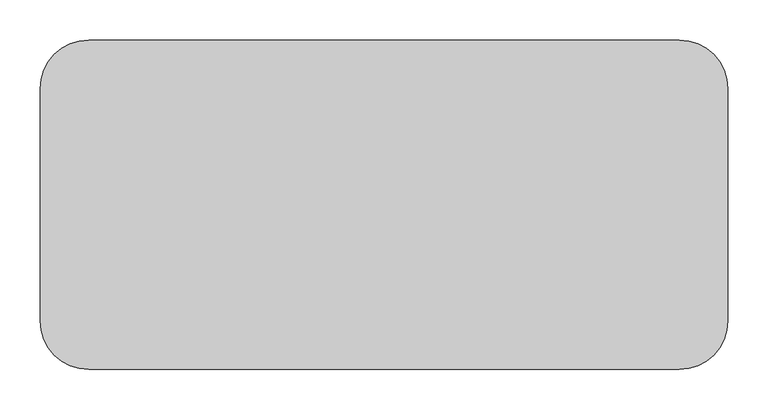
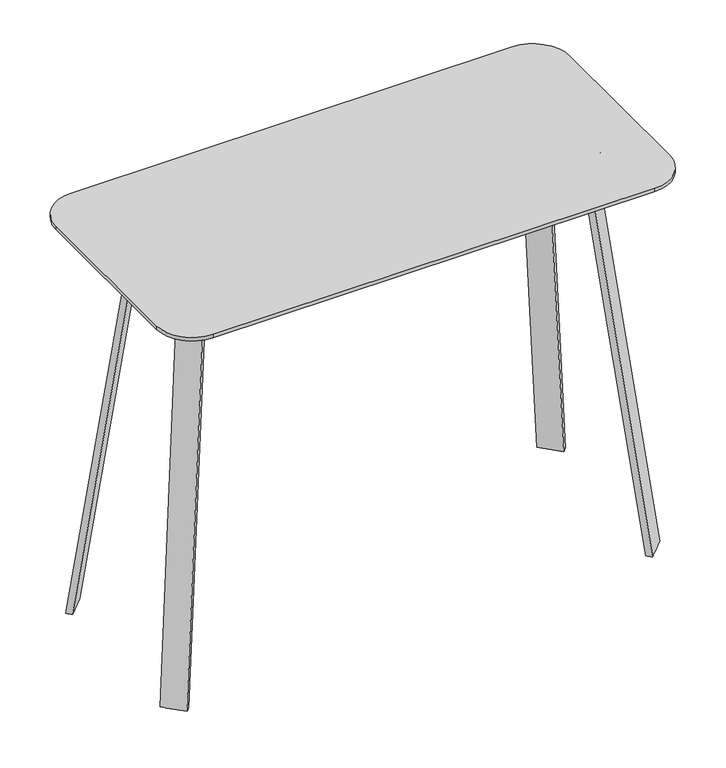
"""IFC4 building model written with IfcOpenShell, lengths in millimetres: furniture geometry."""

from ifc_helpers import new_model, si_unit, point, frame, frame_2d, origin, place, context, project, spatial, polyline, circle_curve, trimmed, segment, composite_curve, outline, extrude, source, transform, mapped, element, save
from ifc_brep_helpers import plane_surface, cylinder_surface, revolved_surface, spline_surface, advanced_brep


def furniture_b67f4b34(model_context):
    return source(origin(), model_context, "Body", "SolidModel", [
        extrude(outline(composite_curve([segment(trimmed(circle_curve(frame_2d((1202.7154289, 209.153125)), 60.325), [point((1202.7154289, 269.478125))], [point((1263.0404289, 209.153125))], False, "CARTESIAN"), True, "CONTINUOUS"), segment(polyline([(1263.0404289, 209.153125), (1263.0404289, -80.16875)]), True, "CONTINUOUS"), segment(trimmed(circle_curve(frame_2d((1202.7154289, -80.16875)), 60.325), [point((1263.0404289, -80.16875))], [point((1202.7154289, -140.49375))], False, "CARTESIAN"), True, "CONTINUOUS"), segment(polyline([(1202.7154289, -140.49375), (468.3974601, -140.49375)]), True, "CONTINUOUS"), segment(trimmed(circle_curve(frame_2d((468.3974601, -80.16875)), 60.325), [point((468.3974601, -140.49375))], [point((408.0724601, -80.16875))], False, "CARTESIAN"), True, "CONTINUOUS"), segment(polyline([(408.0724601, -80.16875), (408.0724601, 209.153125)]), True, "CONTINUOUS"), segment(trimmed(circle_curve(frame_2d((468.3974601, 209.153125)), 60.325), [point((408.0724601, 209.153125))], [point((468.3974601, 269.478125))], False, "CARTESIAN"), True, "CONTINUOUS"), segment(polyline([(468.3974601, 269.478125), (1202.7154289, 269.478125)]), True, "CONTINUOUS")], self_intersect=False)), frame((0.0, 0.0, 673.9548655), z_axis=(0.0, 0.0, 1.0), x_axis=(1.0, 0.0, 0.0)), (0.0, 0.0, 1.0), 5.9912283),
        advanced_brep(
        [(526.2484252, -46.0153352, 673.9548655), (1146.8752089, -46.0153352, 673.9548655), (1197.6752089, 4.7846648, 673.9548655), (1197.6752089, 124.2199619, 673.9548655), (1146.8752089, 175.0199619, 673.9548655), (524.2376802, 175.0199619, 673.9548655), (473.4376802, 124.2199619, 673.9548655), (473.4086388, 6.8244513, 673.9548655), (524.3357605, -37.9741109, 673.9548655), (481.4498449, 4.9118047, 673.9548655), (481.4498449, 124.7624191, 673.9548655), (523.831983, 166.9787557, 673.9548655), (1147.2809061, 166.9787557, 673.9548655), (1189.6339846, 124.6256772, 673.9548655), (1189.6339846, 4.4669059, 673.9548655), (1147.1929678, -37.9741109, 673.9548655), (526.2484252, -46.0153352, 643.800347), (473.4086388, 6.8244513, 643.800347), (473.4086388, 124.2199619, 643.800347), (524.2376802, 175.0199619, 643.800347), (1146.8752089, 175.0199619, 643.800347), (1197.6752089, 124.2199619, 643.800347), (1197.6752089, 4.7846648, 643.800347), (1146.8752089, -46.0153352, 643.800347), (524.3357605, -37.9741109, 643.800347), (1147.1929678, -37.9741109, 643.800347), (1189.6339846, 4.4669059, 643.800347), (1189.6339846, 124.6256772, 643.800347), (1147.2809061, 166.9787557, 643.800347), (523.831983, 166.9787557, 643.800347), (481.4789045, 124.6256772, 643.800347), (481.4498449, 4.9118047, 643.800347)],
        [
            (0, 1),
            (1, 2, circle_curve(frame((1146.8752089, 4.7846648, 673.9548655), z_axis=(0.0, 0.0, 1.0), x_axis=(1.0, 0.0, 0.0)), 50.8)),
            (2, 3),
            (3, 4, circle_curve(frame((1146.8752089, 124.2199619, 673.9548655), z_axis=(0.0, 0.0, 1.0), x_axis=(1.0, 0.0, 0.0)), 50.8)),
            (4, 5),
            (5, 6, circle_curve(frame((524.2376802, 124.2199619, 673.9548655), z_axis=(0.0, 0.0, 1.0), x_axis=(1.0, 0.0, 0.0)), 50.8)),
            (6, 7),
            (7, 0, circle_curve(frame((526.2484252, 6.8244513, 673.9548655), z_axis=(0.0, 0.0, 1.0), x_axis=(1.0, 0.0, 0.0)), 52.8397864)),
            (8, 9, circle_curve(frame((524.3357605, 4.9118047, 673.9548655), z_axis=(0.0, 0.0, -1.0), x_axis=(1.0, 0.0, 0.0)), 42.8859156)),
            (9, 10),
            (10, 11, circle_curve(frame((523.831983, 124.6256772, 673.9548655), z_axis=(0.0, 0.0, -1.0), x_axis=(1.0, 0.0, 0.0)), 42.3530785)),
            (11, 12),
            (12, 13, circle_curve(frame((1147.2809061, 124.6256772, 673.9548655), z_axis=(0.0, 0.0, -1.0), x_axis=(1.0, 0.0, 0.0)), 42.3530785)),
            (13, 14),
            (14, 15, circle_curve(frame((1147.1929678, 4.4669059, 673.9548655), z_axis=(0.0, 0.0, -1.0), x_axis=(1.0, 0.0, 0.0)), 42.4410167)),
            (15, 8),
            (16, 17, circle_curve(frame((526.2484252, 6.8244513, 643.800347), z_axis=(0.0, 0.0, -1.0), x_axis=(1.0, 0.0, 0.0)), 52.8397864)),
            (17, 18),
            (18, 19, circle_curve(frame((524.2376802, 124.2199619, 643.800347), z_axis=(0.0, 0.0, -1.0), x_axis=(1.0, 0.0, 0.0)), 50.8)),
            (19, 20),
            (20, 21, circle_curve(frame((1146.8752089, 124.2199619, 643.800347), z_axis=(0.0, 0.0, -1.0), x_axis=(1.0, 0.0, 0.0)), 50.8)),
            (21, 22),
            (22, 23, circle_curve(frame((1146.8752089, 4.7846648, 643.800347), z_axis=(0.0, 0.0, -1.0), x_axis=(1.0, 0.0, 0.0)), 50.8)),
            (23, 16),
            (24, 25),
            (25, 26, circle_curve(frame((1147.1929678, 4.4669059, 643.800347), z_axis=(0.0, 0.0, 1.0), x_axis=(1.0, 0.0, 0.0)), 42.4410167)),
            (26, 27),
            (27, 28, circle_curve(frame((1147.2809061, 124.6256772, 643.800347), z_axis=(0.0, 0.0, 1.0), x_axis=(1.0, 0.0, 0.0)), 42.3530785)),
            (28, 29),
            (29, 30, circle_curve(frame((523.831983, 124.6256772, 643.800347), z_axis=(0.0, 0.0, 1.0), x_axis=(1.0, 0.0, 0.0)), 42.3530785)),
            (30, 31),
            (31, 24, circle_curve(frame((524.3357605, 4.9118047, 643.800347), z_axis=(0.0, 0.0, 1.0), x_axis=(1.0, 0.0, 0.0)), 42.8859156)),
            (0, 16),
            (23, 1),
            (2, 22),
            (21, 3),
            (20, 4),
            (19, 5),
            (18, 6),
            (17, 7),
            (9, 31),
            (30, 10),
            (29, 11),
            (28, 12),
            (27, 13),
            (26, 14),
            (15, 25),
            (24, 8),
        ],
        [
            plane_surface(frame((1146.8752089, -46.0153352, 673.9548655), z_axis=(0.0, 0.0, 1.0), x_axis=(1.0, 0.0, 0.0))),
            plane_surface(frame((1146.8752089, -46.0153352, 643.800347), z_axis=(0.0, 0.0, -1.0), x_axis=(-1.0, 0.0, 0.0))),
            plane_surface(frame((526.2484252, -46.0153352, 673.9548655), z_axis=(0.0, -1.0, 0.0), x_axis=(0.0, 0.0, -1.0))),
            plane_surface(frame((1197.6752089, 4.7846648, 673.9548655), z_axis=(1.0, 0.0, 0.0), x_axis=(0.0, 0.0, -1.0))),
            cylinder_surface(frame((1146.8752089, 124.2199619, 643.800347), z_axis=(0.0, 0.0, 1.0), x_axis=(1.0, 0.0, 0.0)), 50.8),
            plane_surface(frame((1146.8752089, 175.0199619, 673.9548655), z_axis=(0.0, 1.0, 0.0), x_axis=(0.0, 0.0, -1.0))),
            cylinder_surface(frame((524.2376802, 124.2199619, 643.800347), z_axis=(0.0, 0.0, 1.0), x_axis=(1.0, 0.0, 0.0)), 50.8),
            plane_surface(frame((473.4086388, 124.2199619, 673.9548655), z_axis=(-1.0, 0.0, 0.0), x_axis=(0.0, 0.0, -1.0))),
            plane_surface(frame((481.4498449, 4.9118047, 673.9548655), z_axis=(1.0, 0.0, 0.0), x_axis=(0.0, 0.0, -1.0))),
            revolved_surface(polyline([(566.1850615000001, 124.6256772, 643.800347), (566.1850615000001, 124.6256772, 673.9548655)]), (523.831983, 124.6256772, 0.0), (0.0, 0.0, -1.0)),
            plane_surface(frame((523.831983, 166.9787557, 673.9548655), z_axis=(0.0, -1.0, 0.0), x_axis=(0.0, 0.0, -1.0))),
            revolved_surface(polyline([(1189.6339846, 124.6256772, 643.800347), (1189.6339846, 124.6256772, 673.9548655)]), (1147.2809061, 124.6256772, 0.0), (0.0, 0.0, -1.0)),
            plane_surface(frame((1189.6339846, 124.6256772, 673.9548655), z_axis=(-1.0, 0.0, 0.0), x_axis=(0.0, 0.0, -1.0))),
            plane_surface(frame((1147.1929678, -37.9741109, 673.9548655), z_axis=(0.0, 1.0, 0.0), x_axis=(0.0, 0.0, -1.0))),
            cylinder_surface(frame((1146.8752089, 4.7846648, 643.800347), z_axis=(0.0, 0.0, 1.0), x_axis=(1.0, 0.0, 0.0)), 50.8),
            cylinder_surface(frame((526.2484252, 6.8244513, 643.800347), z_axis=(0.0, 0.0, 1.0), x_axis=(1.0, 0.0, 0.0)), 52.8397864),
            revolved_surface(polyline([(567.2216761, 4.9118047, 643.800347), (567.2216761, 4.9118047, 673.9548655)]), (524.3357605, 4.9118047, 0.0), (0.0, 0.0, -1.0)),
            revolved_surface(polyline([(1189.6339845, 4.4669059, 643.800347), (1189.6339845, 4.4669059, 673.9548655)]), (1147.1929678, 4.4669059, 0.0), (0.0, 0.0, -1.0)),
        ],
        [
            (0, [[1, 2, 3, 4, 5, 6, 7, 8], [9, 10, 11, 12, 13, 14, 15, 16]]),
            (1, [[17, 18, 19, 20, 21, 22, 23, 24], [25, 26, 27, 28, 29, 30, 31, 32]]),
            (2, [[-1, 33, -24, 34]]),
            (3, [[-3, 35, -22, 36]]),
            (4, [[-4, -36, -21, 37]]),
            (5, [[-5, -37, -20, 38]]),
            (6, [[-6, -38, -19, 39]]),
            (7, [[-7, -39, -18, 40]]),
            (8, [[-10, 41, -31, 42]]),
            (9, [[-11, -42, -30, 43]]),
            (10, [[-12, -43, -29, 44]]),
            (11, [[-13, -44, -28, 45]]),
            (12, [[-14, -45, -27, 46]]),
            (13, [[-16, 47, -25, 48]]),
            (14, [[-2, -34, -23, -35]]),
            (15, [[-8, -40, -17, -33]]),
            (16, [[-9, -48, -32, -41]]),
            (17, [[-15, -46, -26, -47]]),
        ],
    ),
        advanced_brep(
        [(515.8547132, 161.0141176, 661.8930654), (487.4247625, 132.5841306, 661.8930654), (494.6057195, 125.4032462, 661.8930654), (523.0356702, 153.8331969, 661.8930654), (448.0358876, 228.8328705, 0.0), (455.2168122, 221.6519536, 0.0), (426.7868596, 193.222001, 0.0), (419.6059369, 200.4029197, 0.0)],
        [
            (0, 1),
            (1, 2),
            (2, 3),
            (3, 0),
            (4, 5),
            (5, 6),
            (6, 7),
            (7, 4),
            (7, 1),
            (0, 4),
            (6, 2),
            (5, 3),
        ],
        [
            plane_surface(frame((505.2302163, 143.2086728, 661.8930654), z_axis=(0.0, 0.0, 1.0), x_axis=(0.7071103590917963, -0.7071032032631948, 0.0))),
            plane_surface(frame((437.4113741, 211.0274362, 0.0), z_axis=(0.0, 0.0, -1.0), x_axis=(0.7071103590917963, -0.7071032032631948, 0.0))),
            spline_surface(1, 1, [[(448.0358876, 228.8328705, 0.0), (515.8547132, 161.0141176, 661.8930654)], [(419.6059369, 200.4029197, 0.0), (487.4247625, 132.5841306, 661.8930654)]], [2, 2], [2, 2], [0.0, 1.0], [0.0, 1.0]),
            spline_surface(1, 1, [[(419.6059369, 200.4029197, 0.0), (487.4247625, 132.5841306, 661.8930654)], [(426.7868596, 193.222001, 0.0), (494.6057195, 125.4032462, 661.8930654)]], [2, 2], [2, 2], [0.0, 1.0], [0.0, 1.0]),
            plane_surface(frame((441.0018359, 207.4369773, 0.0), z_axis=(0.6997981597514603, -0.6997981597514608, -0.14340526913938306), x_axis=(0.7071067811865478, 0.7071067811865474, 0.0))),
            spline_surface(1, 1, [[(455.2168122, 221.6519536, 0.0), (523.0356702, 153.8331969, 661.8930654)], [(448.0358876, 228.8328705, 0.0), (515.8547132, 161.0141176, 661.8930654)]], [2, 2], [2, 2], [0.0, 1.0], [0.0, 1.0]),
        ],
        [
            (0, [[1, 2, 3, 4]]),
            (1, [[5, 6, 7, 8]]),
            (2, [[-8, 9, -1, 10]]),
            (3, [[-7, 11, -2, -9]]),
            (4, [[-6, 12, -3, -11]]),
            (5, [[-5, -10, -4, -12]]),
        ],
    ),
        advanced_brep(
        [(515.8547132, -32.0297426, 661.8930654), (523.0356702, -24.8488219, 661.8930654), (494.6057195, 3.5811288, 661.8930654), (487.4247625, -3.5997556, 661.8930654), (448.0358876, -99.8484955, 0.0), (419.6059369, -71.4185447, 0.0), (426.7868596, -64.237626, 0.0), (455.2168122, -92.6675786, 0.0)],
        [
            (0, 1),
            (1, 2),
            (2, 3),
            (3, 0),
            (4, 5),
            (5, 6),
            (6, 7),
            (7, 4),
            (4, 0),
            (3, 5),
            (2, 6),
            (1, 7),
        ],
        [
            plane_surface(frame((505.2302163, -14.2242978, 661.8930654), z_axis=(0.0, 0.0, 1.0), x_axis=(0.7071063293266251, -0.7071072330461812, 0.0))),
            plane_surface(frame((437.4113741, -82.0430612, 0.0), z_axis=(0.0, 0.0, -1.0), x_axis=(0.7071063293266251, -0.7071072330461812, 0.0))),
            spline_surface(1, 1, [[(419.6059369, -71.4185447, 0.0), (487.4247625, -3.5997556, 661.8930654)], [(448.0358876, -99.8484955, 0.0), (515.8547132, -32.0297426, 661.8930654)]], [2, 2], [2, 2], [0.0, 1.0], [0.0, 1.0]),
            spline_surface(1, 1, [[(426.7868596, -64.237626, 0.0), (494.6057195, 3.5811288, 661.8930654)], [(419.6059369, -71.4185447, 0.0), (487.4247625, -3.5997556, 661.8930654)]], [2, 2], [2, 2], [0.0, 1.0], [0.0, 1.0]),
            plane_surface(frame((441.0018359, -78.4526023, 0.0), z_axis=(0.6997981597514612, 0.6997981597514598, -0.14340526913938295), x_axis=(-0.7071067811865468, 0.7071067811865482, 0.0))),
            spline_surface(1, 1, [[(448.0358876, -99.8484955, 0.0), (515.8547132, -32.0297426, 661.8930654)], [(455.2168122, -92.6675786, 0.0), (523.0356702, -24.8488219, 661.8930654)]], [2, 2], [2, 2], [0.0, 1.0], [0.0, 1.0]),
        ],
        [
            (0, [[1, 2, 3, 4]]),
            (1, [[5, 6, 7, 8]]),
            (2, [[-5, 9, -4, 10]]),
            (3, [[-6, -10, -3, 11]]),
            (4, [[-7, -11, -2, 12]]),
            (5, [[-8, -12, -1, -9]]),
        ],
    ),
        advanced_brep(
        [(1155.2581759, 161.0141176, 661.8930654), (1148.0772188, 153.8331969, 661.8930654), (1176.5071695, 125.4032462, 661.8930654), (1183.6881266, 132.5841306, 661.8930654), (1223.0770014, 228.8328705, 0.0), (1251.5069521, 200.4029197, 0.0), (1244.3260295, 193.222001, 0.0), (1215.8960768, 221.6519536, 0.0)],
        [
            (0, 1),
            (1, 2),
            (2, 3),
            (3, 0),
            (4, 5),
            (5, 6),
            (6, 7),
            (7, 4),
            (4, 0),
            (3, 5),
            (2, 6),
            (1, 7),
        ],
        [
            plane_surface(frame((1165.8826727, 143.2086728, 661.8930654), z_axis=(0.0, 0.0, 1.0), x_axis=(-0.7071063293266252, 0.7071072330461811, 0.0))),
            plane_surface(frame((1233.701515, 211.0274362, 0.0), z_axis=(0.0, 0.0, -1.0), x_axis=(-0.7071063293266252, 0.7071072330461811, 0.0))),
            spline_surface(1, 1, [[(1251.5069521, 200.4029197, 0.0), (1183.6881266, 132.5841306, 661.8930654)], [(1223.0770014, 228.8328705, 0.0), (1155.2581759, 161.0141176, 661.8930654)]], [2, 2], [2, 2], [0.0, 1.0], [0.0, 1.0]),
            spline_surface(1, 1, [[(1244.3260295, 193.222001, 0.0), (1176.5071695, 125.4032462, 661.8930654)], [(1251.5069521, 200.4029197, 0.0), (1183.6881266, 132.5841306, 661.8930654)]], [2, 2], [2, 2], [0.0, 1.0], [0.0, 1.0]),
            plane_surface(frame((1230.1110532, 207.4369773, 0.0), z_axis=(-0.6997981597514605, -0.6997981597514605, -0.1434052691393833), x_axis=(0.7071067811865476, -0.7071067811865476, 0.0))),
            spline_surface(1, 1, [[(1223.0770014, 228.8328705, 0.0), (1155.2581759, 161.0141176, 661.8930654)], [(1215.8960768, 221.6519536, 0.0), (1148.0772188, 153.8331969, 661.8930654)]], [2, 2], [2, 2], [0.0, 1.0], [0.0, 1.0]),
        ],
        [
            (0, [[1, 2, 3, 4]]),
            (1, [[5, 6, 7, 8]]),
            (2, [[-5, 9, -4, 10]]),
            (3, [[-6, -10, -3, 11]]),
            (4, [[-7, -11, -2, 12]]),
            (5, [[-8, -12, -1, -9]]),
        ],
    ),
        advanced_brep(
        [(1155.2581759, -32.0297426, 661.8930654), (1183.6881266, -3.5997556, 661.8930654), (1176.5071695, 3.5811288, 661.8930654), (1148.0772188, -24.8488219, 661.8930654), (1223.0770014, -99.8484955, 0.0), (1215.8960768, -92.6675786, 0.0), (1244.3260295, -64.237626, 0.0), (1251.5069521, -71.4185447, 0.0)],
        [
            (0, 1),
            (1, 2),
            (2, 3),
            (3, 0),
            (4, 5),
            (5, 6),
            (6, 7),
            (7, 4),
            (7, 1),
            (0, 4),
            (6, 2),
            (5, 3),
        ],
        [
            plane_surface(frame((1165.8826727, -14.2242978, 661.8930654), z_axis=(0.0, 0.0, 1.0), x_axis=(-0.7071103590917963, 0.7071032032631948, 0.0))),
            plane_surface(frame((1233.701515, -82.0430612, 0.0), z_axis=(0.0, 0.0, -1.0), x_axis=(-0.7071103590917963, 0.7071032032631948, 0.0))),
            spline_surface(1, 1, [[(1223.0770014, -99.8484955, 0.0), (1155.2581759, -32.0297426, 661.8930654)], [(1251.5069521, -71.4185447, 0.0), (1183.6881266, -3.5997556, 661.8930654)]], [2, 2], [2, 2], [0.0, 1.0], [0.0, 1.0]),
            spline_surface(1, 1, [[(1251.5069521, -71.4185447, 0.0), (1183.6881266, -3.5997556, 661.8930654)], [(1244.3260295, -64.237626, 0.0), (1176.5071695, 3.5811288, 661.8930654)]], [2, 2], [2, 2], [0.0, 1.0], [0.0, 1.0]),
            plane_surface(frame((1230.1110532, -78.4526023, 0.0), z_axis=(-0.6997981597514605, 0.6997981597514605, -0.14340526913938373), x_axis=(-0.7071067811865476, -0.7071067811865476, 0.0))),
            spline_surface(1, 1, [[(1215.8960768, -92.6675786, 0.0), (1148.0772188, -24.8488219, 661.8930654)], [(1223.0770014, -99.8484955, 0.0), (1155.2581759, -32.0297426, 661.8930654)]], [2, 2], [2, 2], [0.0, 1.0], [0.0, 1.0]),
        ],
        [
            (0, [[1, 2, 3, 4]]),
            (1, [[5, 6, 7, 8]]),
            (2, [[-8, 9, -1, 10]]),
            (3, [[-7, 11, -2, -9]]),
            (4, [[-6, 12, -3, -11]]),
            (5, [[-5, -10, -4, -12]]),
        ],
    ),
    ])


if __name__ == "__main__":
    model = new_model("IFC4")
    model_context = context("Model", 3, world=origin())
    ifc_project = project(units=[si_unit("LENGTHUNIT", "METRE", prefix="MILLI")], contexts=[model_context])
    site = spatial("IfcSite", under=ifc_project)
    building = spatial("IfcBuilding", under=site)
    placement = place(None, origin())
    furniture_shape = furniture_b67f4b34(model_context)
    element("IfcFurniture", 1, at=placement, inside=building, context=model_context, shape_type="MappedRepresentation", body=[
        mapped(furniture_shape, transform((0.0, 0.0, 0.0), x_axis=(1.0, 0.0, 0.0), y_axis=(0.0, 1.0, 0.0), z_axis=(0.0, 0.0, 1.0))),
    ])
    save(model, "model.ifc")
